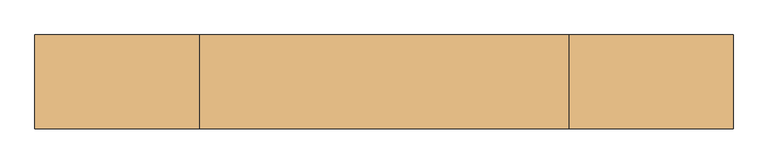
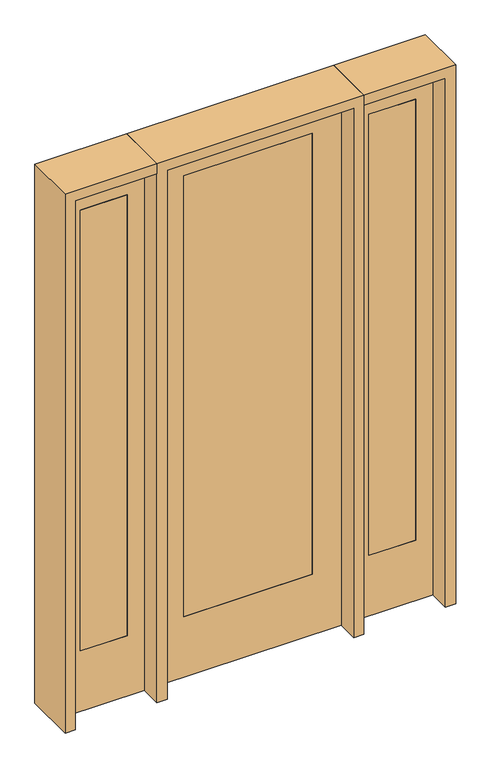
"""IFC4 building model written with IfcOpenShell, lengths in millimetres: door geometry."""

from ifc_helpers import new_model, si_unit, frame, origin, place, context, project, spatial, polyline, outline, extrude, source, transform, mapped, element, save


def door_036264a3(model_context):
    return source(origin(), model_context, "Body", "SweptSolid", [
        extrude(outline(polyline([(527.05, -20.6375), (527.05, 20.6375), (730.25, 20.6375), (730.25, -20.6375), (527.05, -20.6375)])), frame((0.0, 0.0, 279.4), z_axis=(0.0, 0.0, 1.0), x_axis=(1.0, 0.0, 0.0)), (0.0, 0.0, 1.0), 2032.0),
        extrude(outline(polyline([(0.0, 806.45), (2438.4, 806.45), (2438.4, 450.85), (0.0, 450.85), (0.0, 806.45)]), holes=[polyline([(2311.4, 527.05), (2311.4, 730.25), (279.4, 730.25), (279.4, 527.05), (2311.4, 527.05)])]), frame((0.0, -20.6375, 0.0), z_axis=(0.0, 1.0, 0.0), x_axis=(0.0, 0.0, 1.0)), (0.0, 0.0, 1.0), 41.275),
        extrude(outline(polyline([(-527.05, -20.6375), (-730.25, -20.6375), (-730.25, 20.6375), (-527.05, 20.6375), (-527.05, -20.6375)])), frame((0.0, 0.0, 279.4), z_axis=(0.0, 0.0, 1.0), x_axis=(1.0, 0.0, 0.0)), (0.0, 0.0, 1.0), 2032.0),
        extrude(outline(polyline([(0.0, -806.45), (0.0, -450.85), (2438.4, -450.85), (2438.4, -806.45), (0.0, -806.45)]), holes=[polyline([(2311.4, -527.05), (279.4, -527.05), (279.4, -730.25), (2311.4, -730.25), (2311.4, -527.05)])]), frame((0.0, -20.6375, 0.0), z_axis=(0.0, 1.0, 0.0), x_axis=(0.0, 0.0, 1.0)), (0.0, 0.0, 1.0), 41.275),
        extrude(outline(polyline([(2438.4, 406.4), (2438.4, -406.4), (0.0, -406.4), (0.0, 406.4), (2438.4, 406.4)]), holes=[polyline([(279.4, 279.4), (279.4, -279.4), (2311.4, -279.4), (2311.4, 279.4), (279.4, 279.4)])]), frame((0.0, -20.6375, 0.0), z_axis=(0.0, 1.0, 0.0), x_axis=(0.0, 0.0, 1.0)), (0.0, 0.0, 1.0), 41.275),
        extrude(outline(polyline([(279.4, -20.6375), (-279.4, -20.6375), (-279.4, 20.6375), (279.4, 20.6375), (279.4, -20.6375)])), frame((0.0, 0.0, 279.4), z_axis=(0.0, 0.0, 1.0), x_axis=(1.0, 0.0, 0.0)), (0.0, 0.0, 1.0), 2032.0),
        extrude(outline(polyline([(2438.4, -450.85), (2482.85, -450.85), (2482.85, -850.9), (0.0, -850.9), (0.0, -806.45), (2438.4, -806.45), (2438.4, -450.85)])), frame((0.0, -114.3, 0.0), z_axis=(0.0, 1.0, 0.0), x_axis=(0.0, 0.0, 1.0)), (0.0, 0.0, 1.0), 228.6),
        extrude(outline(polyline([(2482.85, -450.85), (0.0, -450.85), (0.0, -406.4), (2438.4, -406.4), (2438.4, 406.4), (0.0, 406.4), (0.0, 450.85), (2482.85, 450.85), (2482.85, -450.85)])), frame((0.0, -114.3, 0.0), z_axis=(0.0, 1.0, 0.0), x_axis=(0.0, 0.0, 1.0)), (0.0, 0.0, 1.0), 228.6),
        extrude(outline(polyline([(0.0, 806.45), (0.0, 850.9), (2482.85, 850.9), (2482.85, 450.85), (2438.4, 450.85), (2438.4, 806.45), (0.0, 806.45)])), frame((0.0, -114.3, 0.0), z_axis=(0.0, 1.0, 0.0), x_axis=(0.0, 0.0, 1.0)), (0.0, 0.0, 1.0), 228.6),
    ])


if __name__ == "__main__":
    model = new_model("IFC4")
    model_context = context("Model", 3, world=origin())
    ifc_project = project(units=[si_unit("LENGTHUNIT", "METRE", prefix="MILLI")], contexts=[model_context])
    site = spatial("IfcSite", under=ifc_project)
    building = spatial("IfcBuilding", under=site)
    placement = place(None, origin())
    door_shape = door_036264a3(model_context)
    element("IfcDoor", 1, at=placement, inside=building, context=model_context, shape_type="MappedRepresentation", body=[
        mapped(door_shape, transform((0.0, 0.0, 0.0), x_axis=(1.0, 0.0, 0.0), y_axis=(0.0, 1.0, 0.0), z_axis=(0.0, 0.0, 1.0))),
    ])
    save(model, "model.ifc")
